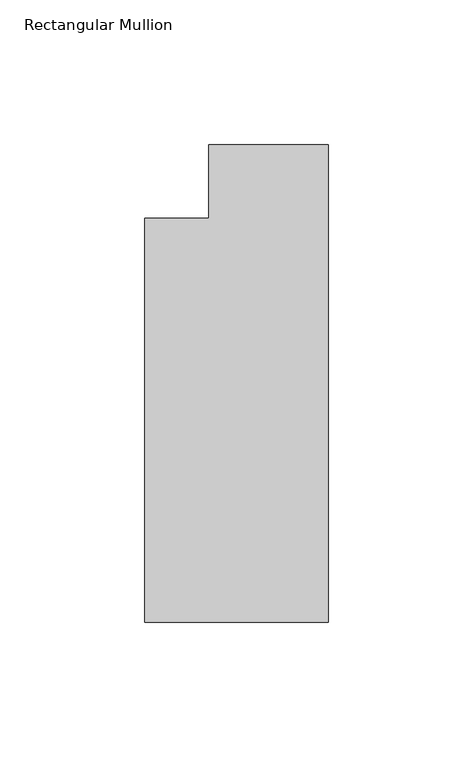
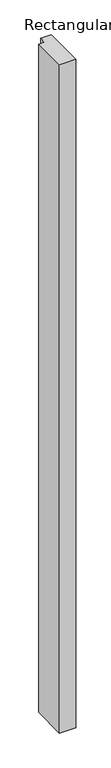
"""IFC4 building model written with IfcOpenShell, lengths in millimetres: member geometry, Rectangular Mullion."""

from ifc_helpers import new_model, si_unit, frame, origin, place, context, project, spatial, polyline, outline, extrude, source, transform, mapped, element, save


def rectangular_mullion_182ce433(model_context):
    return source(origin(), model_context, "Body", "SweptSolid", [
        extrude(outline(polyline([(-82.7668749, -0.0220052), (-60.5499109, -0.0220052), (-60.5499109, 25.3939394), (-19.2668749, 25.3939394), (-19.2668749, -139.7436585), (-82.7668749, -139.7436585), (-82.7668749, -0.0220052)])), frame((0.0, 0.0, -2743.2), z_axis=(0.0, 0.0, 1.0), x_axis=(1.0, 0.0, 0.0)), (0.0, 0.0, 1.0), 2743.2),
    ])


if __name__ == "__main__":
    model = new_model("IFC4")
    model_context = context("Model", 3, world=origin())
    ifc_project = project(units=[si_unit("LENGTHUNIT", "METRE", prefix="MILLI")], contexts=[model_context])
    site = spatial("IfcSite", under=ifc_project)
    building = spatial("IfcBuilding", under=site)
    placement = place(None, origin())
    rectangular_mullion_shape = rectangular_mullion_182ce433(model_context)
    element("IfcMember", 1, ObjectType="Rectangular Mullion", at=placement, inside=building, context=model_context, shape_type="MappedRepresentation", body=[
        mapped(rectangular_mullion_shape, transform((0.0, 0.0, 0.0), x_axis=(1.0, 0.0, 0.0), y_axis=(0.0, 1.0, 0.0), z_axis=(0.0, 0.0, 1.0))),
    ])
    save(model, "model.ifc")
